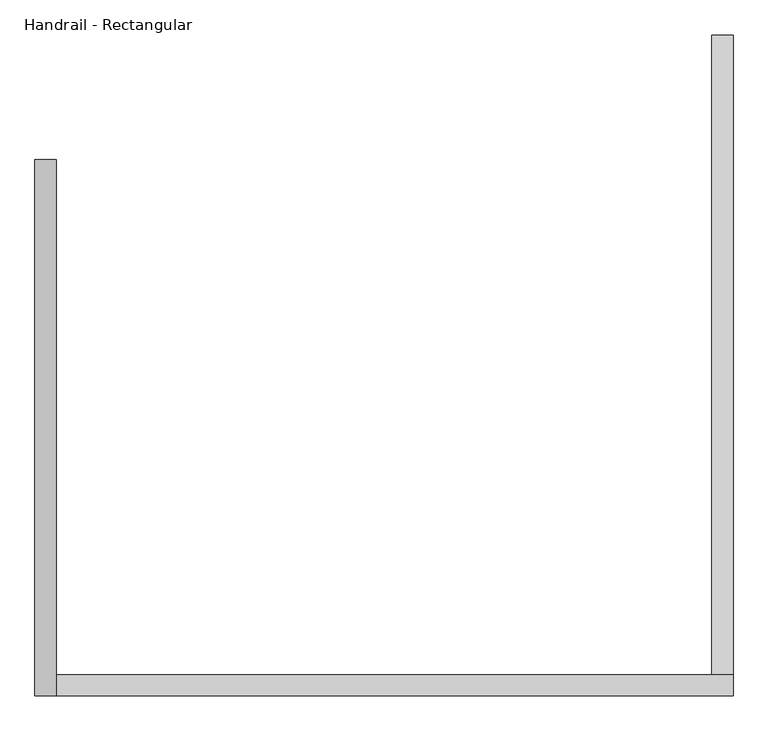
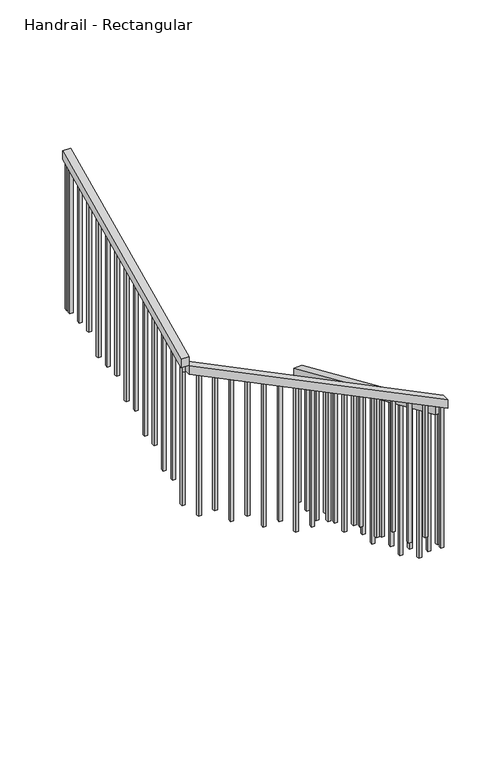
"""IFC4 building model written with IfcOpenShell, lengths in millimetres: railing geometry, Handrail - Rectangular."""

from ifc_helpers import new_model, si_unit, frame, origin, place, context, project, spatial, polyline, outline, extrude, source, transform, mapped, element, save


def handrail_rectangular_c0248b6b(model_context):
    return source(origin(), model_context, "Body", "SweptSolid", [
        extrude(outline(polyline([(-129.9447691, 995.7831798), (-129.9447691, 940.2847434), (-1667.942103, 1616.8847352), (-1667.942103, 1672.3831716), (-129.9447691, 995.7831798)])), frame((62123.723353, 0.0, 0.0), z_axis=(1.0, 0.0, 0.0), x_axis=(0.0, 1.0, 0.0)), (0.0, 0.0, 1.0), 50.8),
        extrude(outline(polyline([(1673.9072966, 62174.523353), (1730.4710891, 62174.523353), (2527.0927652, 60547.7286851), (2470.5289727, 60547.7286851), (1673.9072966, 62174.523353)])), frame((0.0, -1718.742103, 0.0), z_axis=(0.0, 1.0, 0.0), x_axis=(0.0, 0.0, 1.0)), (0.0, 0.0, 1.0), 50.8),
        extrude(outline(polyline([(-1718.742103, 2529.5128074), (-1718.742103, 2585.5931662), (-429.9447691, 3188.2937138), (-429.9447691, 3132.213355), (-1718.742103, 2529.5128074)])), frame((60496.9286851, 0.0, 0.0), z_axis=(1.0, 0.0, 0.0), x_axis=(0.0, 1.0, 0.0)), (0.0, 0.0, 1.0), 50.8),
        extrude(outline(polyline([(-483.667103, 3107.0903358), (-464.617103, 3115.9989866), (-464.617103, 2133.6), (-483.667103, 2133.6), (-483.667103, 3107.0903358)])), frame((60512.8036851, 0.0, 0.0), z_axis=(1.0, 0.0, 0.0), x_axis=(0.0, 1.0, 0.0)), (0.0, 0.0, 1.0), 19.05),
        extrude(outline(polyline([(-585.267103, 3059.5775314), (-566.217103, 3068.4861822), (-566.217103, 2133.6), (-585.267103, 2133.6), (-585.267103, 3059.5775314)])), frame((60512.8036851, 0.0, 0.0), z_axis=(1.0, 0.0, 0.0), x_axis=(0.0, 1.0, 0.0)), (0.0, 0.0, 1.0), 19.05),
        extrude(outline(polyline([(-686.867103, 3012.064727), (-667.817103, 3020.9733778), (-667.817103, 2133.6), (-686.867103, 2133.6), (-686.867103, 3012.064727)])), frame((60512.8036851, 0.0, 0.0), z_axis=(1.0, 0.0, 0.0), x_axis=(0.0, 1.0, 0.0)), (0.0, 0.0, 1.0), 19.05),
        extrude(outline(polyline([(-788.467103, 2964.5519226), (-769.417103, 2973.4605734), (-769.417103, 2026.92), (-788.467103, 2026.92), (-788.467103, 2964.5519226)])), frame((60512.8036851, 0.0, 0.0), z_axis=(1.0, 0.0, 0.0), x_axis=(0.0, 1.0, 0.0)), (0.0, 0.0, 1.0), 19.05),
        extrude(outline(polyline([(-890.067103, 2917.0391182), (-871.017103, 2925.947769), (-871.017103, 2026.92), (-890.067103, 2026.92), (-890.067103, 2917.0391182)])), frame((60512.8036851, 0.0, 0.0), z_axis=(1.0, 0.0, 0.0), x_axis=(0.0, 1.0, 0.0)), (0.0, 0.0, 1.0), 19.05),
        extrude(outline(polyline([(-991.667103, 2869.5263138), (-972.617103, 2878.4349646), (-972.617103, 2026.92), (-991.667103, 2026.92), (-991.667103, 2869.5263138)])), frame((60512.8036851, 0.0, 0.0), z_axis=(1.0, 0.0, 0.0), x_axis=(0.0, 1.0, 0.0)), (0.0, 0.0, 1.0), 19.05),
        extrude(outline(polyline([(-1093.267103, 2822.0135094), (-1074.217103, 2830.9221602), (-1074.217103, 1920.24), (-1093.267103, 1920.24), (-1093.267103, 2822.0135094)])), frame((60512.8036851, 0.0, 0.0), z_axis=(1.0, 0.0, 0.0), x_axis=(0.0, 1.0, 0.0)), (0.0, 0.0, 1.0), 19.05),
        extrude(outline(polyline([(-1194.867103, 2774.500705), (-1175.817103, 2783.4093559), (-1175.817103, 1920.24), (-1194.867103, 1920.24), (-1194.867103, 2774.500705)])), frame((60512.8036851, 0.0, 0.0), z_axis=(1.0, 0.0, 0.0), x_axis=(0.0, 1.0, 0.0)), (0.0, 0.0, 1.0), 19.05),
        extrude(outline(polyline([(-1296.467103, 2726.9879006), (-1277.417103, 2735.8965515), (-1277.417103, 1813.56), (-1296.467103, 1813.56), (-1296.467103, 2726.9879006)])), frame((60512.8036851, 0.0, 0.0), z_axis=(1.0, 0.0, 0.0), x_axis=(0.0, 1.0, 0.0)), (0.0, 0.0, 1.0), 19.05),
        extrude(outline(polyline([(-1398.067103, 2679.4750962), (-1379.017103, 2688.3837471), (-1379.017103, 1813.56), (-1398.067103, 1813.56), (-1398.067103, 2679.4750962)])), frame((60512.8036851, 0.0, 0.0), z_axis=(1.0, 0.0, 0.0), x_axis=(0.0, 1.0, 0.0)), (0.0, 0.0, 1.0), 19.05),
        extrude(outline(polyline([(-1499.667103, 2631.9622918), (-1480.617103, 2640.8709427), (-1480.617103, 1706.88), (-1499.667103, 1706.88), (-1499.667103, 2631.9622918)])), frame((60512.8036851, 0.0, 0.0), z_axis=(1.0, 0.0, 0.0), x_axis=(0.0, 1.0, 0.0)), (0.0, 0.0, 1.0), 19.05),
        extrude(outline(polyline([(-1601.267103, 2584.4494874), (-1582.217103, 2593.3581383), (-1582.217103, 1706.88), (-1601.267103, 1706.88), (-1601.267103, 2584.4494874)])), frame((60512.8036851, 0.0, 0.0), z_axis=(1.0, 0.0, 0.0), x_axis=(0.0, 1.0, 0.0)), (0.0, 0.0, 1.0), 19.05),
        extrude(outline(polyline([(2477.7177538, 60533.048353), (2487.0463084, 60513.998353), (1600.2, 60513.998353), (1600.2, 60533.048353), (2477.7177538, 60533.048353)])), frame((0.0, -1702.867103, 0.0), z_axis=(0.0, 1.0, 0.0), x_axis=(0.0, 0.0, 1.0)), (0.0, 0.0, 1.0), 19.05),
        extrude(outline(polyline([(2427.9654624, 60634.648353), (2437.2940171, 60615.598353), (1493.52, 60615.598353), (1493.52, 60634.648353), (2427.9654624, 60634.648353)])), frame((0.0, -1702.867103, 0.0), z_axis=(0.0, 1.0, 0.0), x_axis=(0.0, 0.0, 1.0)), (0.0, 0.0, 1.0), 19.05),
        extrude(outline(polyline([(2378.2131711, 60736.248353), (2387.5417257, 60717.198353), (1493.52, 60717.198353), (1493.52, 60736.248353), (2378.2131711, 60736.248353)])), frame((0.0, -1702.867103, 0.0), z_axis=(0.0, 1.0, 0.0), x_axis=(0.0, 0.0, 1.0)), (0.0, 0.0, 1.0), 19.05),
        extrude(outline(polyline([(2328.4608797, 60837.848353), (2337.7894344, 60818.798353), (1386.84, 60818.798353), (1386.84, 60837.848353), (2328.4608797, 60837.848353)])), frame((0.0, -1702.867103, 0.0), z_axis=(0.0, 1.0, 0.0), x_axis=(0.0, 0.0, 1.0)), (0.0, 0.0, 1.0), 19.05),
        extrude(outline(polyline([(2278.7085884, 60939.448353), (2288.037143, 60920.398353), (1386.84, 60920.398353), (1386.84, 60939.448353), (2278.7085884, 60939.448353)])), frame((0.0, -1702.867103, 0.0), z_axis=(0.0, 1.0, 0.0), x_axis=(0.0, 0.0, 1.0)), (0.0, 0.0, 1.0), 19.05),
        extrude(outline(polyline([(2228.956297, 61041.048353), (2238.2848517, 61021.998353), (1280.16, 61021.998353), (1280.16, 61041.048353), (2228.956297, 61041.048353)])), frame((0.0, -1702.867103, 0.0), z_axis=(0.0, 1.0, 0.0), x_axis=(0.0, 0.0, 1.0)), (0.0, 0.0, 1.0), 19.05),
        extrude(outline(polyline([(2179.2040057, 61142.648353), (2188.5325603, 61123.598353), (1280.16, 61123.598353), (1280.16, 61142.648353), (2179.2040057, 61142.648353)])), frame((0.0, -1702.867103, 0.0), z_axis=(0.0, 1.0, 0.0), x_axis=(0.0, 0.0, 1.0)), (0.0, 0.0, 1.0), 19.05),
        extrude(outline(polyline([(2129.4517143, 61244.248353), (2138.7802689, 61225.198353), (1173.48, 61225.198353), (1173.48, 61244.248353), (2129.4517143, 61244.248353)])), frame((0.0, -1702.867103, 0.0), z_axis=(0.0, 1.0, 0.0), x_axis=(0.0, 0.0, 1.0)), (0.0, 0.0, 1.0), 19.05),
        extrude(outline(polyline([(2079.699423, 61345.848353), (2089.0279776, 61326.798353), (1173.48, 61326.798353), (1173.48, 61345.848353), (2079.699423, 61345.848353)])), frame((0.0, -1702.867103, 0.0), z_axis=(0.0, 1.0, 0.0), x_axis=(0.0, 0.0, 1.0)), (0.0, 0.0, 1.0), 19.05),
        extrude(outline(polyline([(2029.9471316, 61447.448353), (2039.2756862, 61428.398353), (1173.48, 61428.398353), (1173.48, 61447.448353), (2029.9471316, 61447.448353)])), frame((0.0, -1702.867103, 0.0), z_axis=(0.0, 1.0, 0.0), x_axis=(0.0, 0.0, 1.0)), (0.0, 0.0, 1.0), 19.05),
        extrude(outline(polyline([(1980.1948402, 61549.048353), (1989.5233949, 61529.998353), (1066.8, 61529.998353), (1066.8, 61549.048353), (1980.1948402, 61549.048353)])), frame((0.0, -1702.867103, 0.0), z_axis=(0.0, 1.0, 0.0), x_axis=(0.0, 0.0, 1.0)), (0.0, 0.0, 1.0), 19.05),
        extrude(outline(polyline([(1930.4425489, 61650.648353), (1939.7711035, 61631.598353), (1066.8, 61631.598353), (1066.8, 61650.648353), (1930.4425489, 61650.648353)])), frame((0.0, -1702.867103, 0.0), z_axis=(0.0, 1.0, 0.0), x_axis=(0.0, 0.0, 1.0)), (0.0, 0.0, 1.0), 19.05),
        extrude(outline(polyline([(1880.6902575, 61752.248353), (1890.0188122, 61733.198353), (960.12, 61733.198353), (960.12, 61752.248353), (1880.6902575, 61752.248353)])), frame((0.0, -1702.867103, 0.0), z_axis=(0.0, 1.0, 0.0), x_axis=(0.0, 0.0, 1.0)), (0.0, 0.0, 1.0), 19.05),
        extrude(outline(polyline([(1830.9379662, 61853.848353), (1840.2665208, 61834.798353), (960.12, 61834.798353), (960.12, 61853.848353), (1830.9379662, 61853.848353)])), frame((0.0, -1702.867103, 0.0), z_axis=(0.0, 1.0, 0.0), x_axis=(0.0, 0.0, 1.0)), (0.0, 0.0, 1.0), 19.05),
        extrude(outline(polyline([(1781.1856748, 61955.448353), (1790.5142294, 61936.398353), (853.44, 61936.398353), (853.44, 61955.448353), (1781.1856748, 61955.448353)])), frame((0.0, -1702.867103, 0.0), z_axis=(0.0, 1.0, 0.0), x_axis=(0.0, 0.0, 1.0)), (0.0, 0.0, 1.0), 19.05),
        extrude(outline(polyline([(1731.4333835, 62057.048353), (1740.7619381, 62037.998353), (853.44, 62037.998353), (853.44, 62057.048353), (1731.4333835, 62057.048353)])), frame((0.0, -1702.867103, 0.0), z_axis=(0.0, 1.0, 0.0), x_axis=(0.0, 0.0, 1.0)), (0.0, 0.0, 1.0), 19.05),
        extrude(outline(polyline([(-1663.4697691, 1614.9172538), (-1644.4197691, 1606.5367257), (-1644.4197691, 746.76), (-1663.4697691, 746.76), (-1663.4697691, 1614.9172538)])), frame((62139.598353, 0.0, 0.0), z_axis=(1.0, 0.0, 0.0), x_axis=(0.0, 1.0, 0.0)), (0.0, 0.0, 1.0), 19.05),
        extrude(outline(polyline([(-1561.8697691, 1570.221104), (-1542.8197691, 1561.8405759), (-1542.8197691, 640.08), (-1561.8697691, 640.08), (-1561.8697691, 1570.221104)])), frame((62139.598353, 0.0, 0.0), z_axis=(1.0, 0.0, 0.0), x_axis=(0.0, 1.0, 0.0)), (0.0, 0.0, 1.0), 19.05),
        extrude(outline(polyline([(-1460.2697691, 1525.5249543), (-1441.2197691, 1517.1444262), (-1441.2197691, 533.4), (-1460.2697691, 533.4), (-1460.2697691, 1525.5249543)])), frame((62139.598353, 0.0, 0.0), z_axis=(1.0, 0.0, 0.0), x_axis=(0.0, 1.0, 0.0)), (0.0, 0.0, 1.0), 19.05),
        extrude(outline(polyline([(-1358.6697691, 1480.8288045), (-1339.6197691, 1472.4482764), (-1339.6197691, 533.4), (-1358.6697691, 533.4), (-1358.6697691, 1480.8288045)])), frame((62139.598353, 0.0, 0.0), z_axis=(1.0, 0.0, 0.0), x_axis=(0.0, 1.0, 0.0)), (0.0, 0.0, 1.0), 19.05),
        extrude(outline(polyline([(-1257.0697691, 1436.1326548), (-1238.0197691, 1427.7521267), (-1238.0197691, 426.72), (-1257.0697691, 426.72), (-1257.0697691, 1436.1326548)])), frame((62139.598353, 0.0, 0.0), z_axis=(1.0, 0.0, 0.0), x_axis=(0.0, 1.0, 0.0)), (0.0, 0.0, 1.0), 19.05),
        extrude(outline(polyline([(-1155.4697691, 1391.436505), (-1136.4197691, 1383.0559769), (-1136.4197691, 426.72), (-1155.4697691, 426.72), (-1155.4697691, 1391.436505)])), frame((62139.598353, 0.0, 0.0), z_axis=(1.0, 0.0, 0.0), x_axis=(0.0, 1.0, 0.0)), (0.0, 0.0, 1.0), 19.05),
        extrude(outline(polyline([(-1053.8697691, 1346.7403552), (-1034.8197691, 1338.3598272), (-1034.8197691, 426.72), (-1053.8697691, 426.72), (-1053.8697691, 1346.7403552)])), frame((62139.598353, 0.0, 0.0), z_axis=(1.0, 0.0, 0.0), x_axis=(0.0, 1.0, 0.0)), (0.0, 0.0, 1.0), 19.05),
        extrude(outline(polyline([(-952.2697691, 1302.0442055), (-933.2197691, 1293.6636774), (-933.2197691, 320.04), (-952.2697691, 320.04), (-952.2697691, 1302.0442055)])), frame((62139.598353, 0.0, 0.0), z_axis=(1.0, 0.0, 0.0), x_axis=(0.0, 1.0, 0.0)), (0.0, 0.0, 1.0), 19.05),
        extrude(outline(polyline([(-850.6697691, 1257.3480557), (-831.6197691, 1248.9675276), (-831.6197691, 320.04), (-850.6697691, 320.04), (-850.6697691, 1257.3480557)])), frame((62139.598353, 0.0, 0.0), z_axis=(1.0, 0.0, 0.0), x_axis=(0.0, 1.0, 0.0)), (0.0, 0.0, 1.0), 19.05),
        extrude(outline(polyline([(-749.0697691, 1212.651906), (-730.0197691, 1204.2713779), (-730.0197691, 320.04), (-749.0697691, 320.04), (-749.0697691, 1212.651906)])), frame((62139.598353, 0.0, 0.0), z_axis=(1.0, 0.0, 0.0), x_axis=(0.0, 1.0, 0.0)), (0.0, 0.0, 1.0), 19.05),
        extrude(outline(polyline([(-647.4697691, 1167.9557562), (-628.4197691, 1159.5752281), (-628.4197691, 213.36), (-647.4697691, 213.36), (-647.4697691, 1167.9557562)])), frame((62139.598353, 0.0, 0.0), z_axis=(1.0, 0.0, 0.0), x_axis=(0.0, 1.0, 0.0)), (0.0, 0.0, 1.0), 19.05),
        extrude(outline(polyline([(-545.8697691, 1123.2596064), (-526.8197691, 1114.8790784), (-526.8197691, 213.36), (-545.8697691, 213.36), (-545.8697691, 1123.2596064)])), frame((62139.598353, 0.0, 0.0), z_axis=(1.0, 0.0, 0.0), x_axis=(0.0, 1.0, 0.0)), (0.0, 0.0, 1.0), 19.05),
        extrude(outline(polyline([(-444.2697691, 1078.5634567), (-425.2197691, 1070.1829286), (-425.2197691, 213.36), (-444.2697691, 213.36), (-444.2697691, 1078.5634567)])), frame((62139.598353, 0.0, 0.0), z_axis=(1.0, 0.0, 0.0), x_axis=(0.0, 1.0, 0.0)), (0.0, 0.0, 1.0), 19.05),
        extrude(outline(polyline([(-342.6697691, 1033.8673069), (-323.6197691, 1025.4867789), (-323.6197691, 106.68), (-342.6697691, 106.68), (-342.6697691, 1033.8673069)])), frame((62139.598353, 0.0, 0.0), z_axis=(1.0, 0.0, 0.0), x_axis=(0.0, 1.0, 0.0)), (0.0, 0.0, 1.0), 19.05),
        extrude(outline(polyline([(-241.0697691, 989.1711572), (-222.0197691, 980.7906291), (-222.0197691, 106.68), (-241.0697691, 106.68), (-241.0697691, 989.1711572)])), frame((62139.598353, 0.0, 0.0), z_axis=(1.0, 0.0, 0.0), x_axis=(0.0, 1.0, 0.0)), (0.0, 0.0, 1.0), 19.05),
        extrude(outline(polyline([(-1702.867103, 2536.936683), (-1683.817103, 2545.8453339), (-1683.817103, 1600.2), (-1702.867103, 1600.2), (-1702.867103, 2536.936683)])), frame((60512.8036851, 0.0, 0.0), z_axis=(1.0, 0.0, 0.0), x_axis=(0.0, 1.0, 0.0)), (0.0, 0.0, 1.0), 19.05),
        extrude(outline(polyline([(1681.6810921, 62158.648353), (1691.0096467, 62139.598353), (746.76, 62139.598353), (746.76, 62158.648353), (1681.6810921, 62158.648353)])), frame((0.0, -1702.867103, 0.0), z_axis=(0.0, 1.0, 0.0), x_axis=(0.0, 0.0, 1.0)), (0.0, 0.0, 1.0), 19.05),
        extrude(outline(polyline([(-448.9947691, 3123.3047041), (-429.9447691, 3132.213355), (-429.9447691, 2133.6), (-448.9947691, 2133.6), (-448.9947691, 3123.3047041)])), frame((60512.8036851, 0.0, 0.0), z_axis=(1.0, 0.0, 0.0), x_axis=(0.0, 1.0, 0.0)), (0.0, 0.0, 1.0), 19.05),
        extrude(outline(polyline([(-148.9947691, 948.6652715), (-129.9447691, 940.2847434), (-129.9447691, 106.68), (-148.9947691, 106.68), (-148.9947691, 948.6652715)])), frame((62139.598353, 0.0, 0.0), z_axis=(1.0, 0.0, 0.0), x_axis=(0.0, 1.0, 0.0)), (0.0, 0.0, 1.0), 19.05),
    ])


if __name__ == "__main__":
    model = new_model("IFC4")
    model_context = context("Model", 3, world=origin())
    ifc_project = project(units=[si_unit("LENGTHUNIT", "METRE", prefix="MILLI")], contexts=[model_context])
    site = spatial("IfcSite", under=ifc_project)
    building = spatial("IfcBuilding", under=site)
    placement = place(None, origin())
    handrail_rectangular_shape = handrail_rectangular_c0248b6b(model_context)
    element("IfcRailing", 1, ObjectType="Handrail - Rectangular", at=placement, inside=building, context=model_context, shape_type="MappedRepresentation", body=[
        mapped(handrail_rectangular_shape, transform((0.0, 0.0, 0.0), x_axis=(1.0, 0.0, 0.0), y_axis=(0.0, 1.0, 0.0), z_axis=(0.0, 0.0, 1.0))),
    ])
    save(model, "model.ifc")
